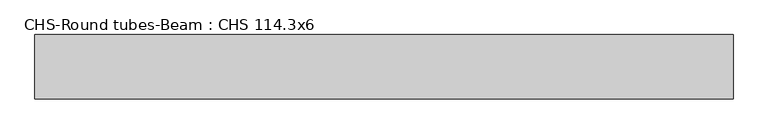
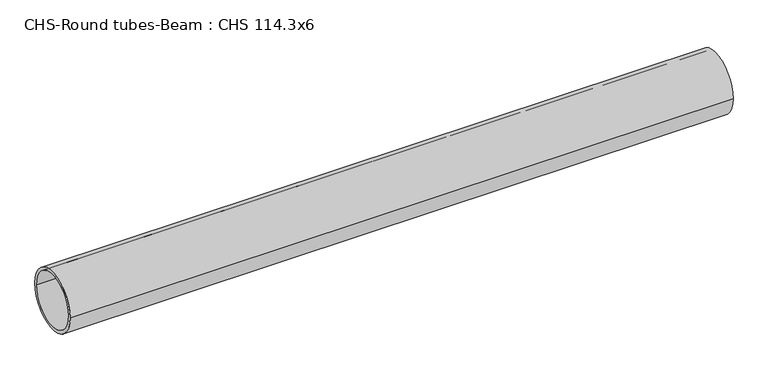
"""IFC4 building model written with IfcOpenShell, lengths in millimetres: beam geometry, CHS-Round tubes-Beam : CHS 114.3x6."""

from ifc_helpers import new_model, si_unit, point, frame, origin, origin_2d, place, context, project, spatial, circle_curve, trimmed, segment, composite_curve, outline, extrude, source, transform, mapped, element, save


def chs_round_tubes_beam_chs_114_3x6_88a5cd9d(model_context):
    return source(origin(), model_context, "Body", "SweptSolid", [
        extrude(outline(composite_curve([segment(trimmed(circle_curve(origin_2d(), 57.15), [point((57.15, 0.0))], [point((-57.15, 0.0))], False, "CARTESIAN"), True, "CONTINUOUS"), segment(trimmed(circle_curve(origin_2d(), 57.15), [point((-57.15, 0.0))], [point((57.15, 0.0))], False, "CARTESIAN"), True, "CONTINUOUS")], self_intersect=False), holes=[composite_curve([segment(trimmed(circle_curve(origin_2d(), 51.15), [point((51.15, 0.0))], [point((-51.15, 0.0))], True, "CARTESIAN"), True, "CONTINUOUS"), segment(trimmed(circle_curve(origin_2d(), 51.15), [point((-51.15, 0.0))], [point((51.15, 0.0))], True, "CARTESIAN"), True, "CONTINUOUS")], self_intersect=False)]), frame((-621.0203162, 0.0, 0.0), z_axis=(1.0, 0.0, 0.0), x_axis=(0.0, 1.0, 0.0)), (0.0, 0.0, 1.0), 1242.0399954),
    ])


if __name__ == "__main__":
    model = new_model("IFC4")
    model_context = context("Model", 3, world=origin())
    ifc_project = project(units=[si_unit("LENGTHUNIT", "METRE", prefix="MILLI")], contexts=[model_context])
    site = spatial("IfcSite", under=ifc_project)
    building = spatial("IfcBuilding", under=site)
    placement = place(None, origin())
    chs_round_tubes_beam_chs_114_3x6_shape = chs_round_tubes_beam_chs_114_3x6_88a5cd9d(model_context)
    element("IfcBeam", 1, ObjectType="CHS-Round tubes-Beam : CHS 114.3x6", at=placement, inside=building, context=model_context, shape_type="MappedRepresentation", body=[
        mapped(chs_round_tubes_beam_chs_114_3x6_shape, transform((0.0, 0.0, 0.0), x_axis=(1.0, 0.0, 0.0), y_axis=(0.0, 1.0, 0.0), z_axis=(0.0, 0.0, 1.0))),
    ])
    save(model, "model.ifc")
